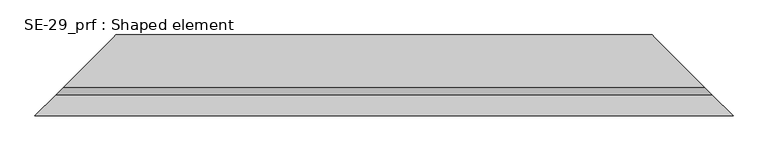
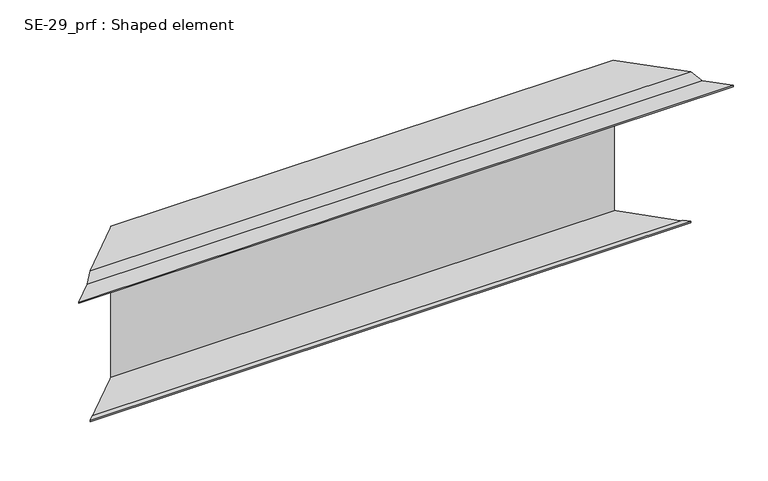
"""IFC4 building model written with IfcOpenShell, lengths in millimetres: proxy geometry, SE-29_prf : Shaped element."""

from ifc_helpers import new_model, si_unit, origin, place, context, project, spatial, faceted_brep, source, transform, mapped, element, save


def se_29_prf_shaped_element_b3390c08(model_context):
    return source(origin(), model_context, "Body", "Brep", [
        faceted_brep([(-150.8492424, -150.8492424, 2.0), (1182.5549159, -150.8492424, 2.0), (1182.5549159, -150.8492424, 5.0), (-150.8492424, -150.8492424, 5.0), (-140.8492424, -140.8492424, 2.0), (1172.5549159, -140.8492424, 2.0), (-140.8492424, -140.8492424, 3.0), (1172.5549159, -140.8492424, 3.0), (-149.8492424, -149.8492424, 3.0), (1181.5549159, -149.8492424, 3.0), (-149.8492424, -149.8492424, 4.0), (1181.5549159, -149.8492424, 4.0), (-110.4350288, -110.4350288, 4.0), (1142.1407023, -110.4350288, 4.0), (3.0, 3.0, -304.0), (1028.7056735, 3.0, -304.0), (1028.7056735, 3.0, 18.8492424), (3.0, 3.0, 18.8492424), (-95.0, -95.0, -304.0), (1126.7056735, -95.0, -304.0), (1031.7056735, 0.0, -304.0), (0.0, 0.0, -304.0), (-95.0, -95.0, -303.0), (1126.7056735, -95.0, -303.0), (-86.0, -86.0, -303.0), (1117.7056735, -86.0, -303.0), (-86.0, -86.0, -302.0), (1117.7056735, -86.0, -302.0), (-96.0, -96.0, -302.0), (1127.7056735, -96.0, -302.0), (-96.0, -96.0, -305.0), (1127.7056735, -96.0, -305.0), (0.0, 0.0, -305.0), (4.0, 4.0, -305.0), (1027.7056735, 4.0, -305.0), (1031.7056735, 0.0, -305.0), (4.0, 4.0, 19.8492424), (1027.7056735, 4.0, 19.8492424), (1142.5549159, -110.8492424, 5.0), (-110.8492424, -110.8492424, 5.0), (-95.5857864, -95.5857864, 18.8492424), (1127.2914599, -95.5857864, 18.8492424), (0.0, 0.0, 18.8492424), (1031.7056735, 0.0, 18.8492424), (-96.0, -96.0, 19.8492424), (1127.7056735, -96.0, 19.8492424), (1031.7056735, 0.0, 19.8492424), (0.0, 0.0, 19.8492424)], [[[0, 1, 2, 3]], [[4, 5, 1, 0]], [[6, 7, 5, 4]], [[8, 9, 7, 6]], [[10, 11, 9, 8]], [[12, 13, 11, 10]], [[14, 15, 16, 17]], [[18, 19, 20, 15, 14, 21]], [[22, 23, 19, 18]], [[24, 25, 23, 22]], [[26, 27, 25, 24]], [[28, 29, 27, 26]], [[30, 31, 29, 28]], [[32, 33, 34, 35, 31, 30]], [[36, 37, 34, 33]], [[3, 2, 38, 39]], [[40, 41, 13, 12]], [[42, 17, 16, 43, 41, 40]], [[44, 45, 46, 37, 36, 47]], [[39, 38, 45, 44]], [[32, 30, 28, 26, 24, 22, 18, 21]], [[42, 40, 12, 10, 8, 6, 4, 0, 3, 39, 44, 47]], [[21, 14, 17, 42, 47, 36, 33, 32]], [[20, 19, 23, 25, 27, 29, 31, 35]], [[46, 45, 38, 2, 1, 5, 7, 9, 11, 13, 41, 43]], [[35, 34, 37, 46, 43, 16, 15, 20]]]),
    ])


if __name__ == "__main__":
    model = new_model("IFC4")
    model_context = context("Model", 3, world=origin())
    ifc_project = project(units=[si_unit("LENGTHUNIT", "METRE", prefix="MILLI")], contexts=[model_context])
    site = spatial("IfcSite", under=ifc_project)
    building = spatial("IfcBuilding", under=site)
    placement = place(None, origin())
    se_29_prf_shaped_element_shape = se_29_prf_shaped_element_b3390c08(model_context)
    element("IfcBuildingElementProxy", 1, Name="SE-29_prf : Shaped element", ObjectType="SE-29_prf : Shaped element", at=placement, inside=building, context=model_context, shape_type="MappedRepresentation", body=[
        mapped(se_29_prf_shaped_element_shape, transform((0.0, 0.0, 0.0), x_axis=(1.0, 0.0, 0.0), y_axis=(0.0, 1.0, 0.0), z_axis=(0.0, 0.0, 1.0))),
    ])
    save(model, "model.ifc")
